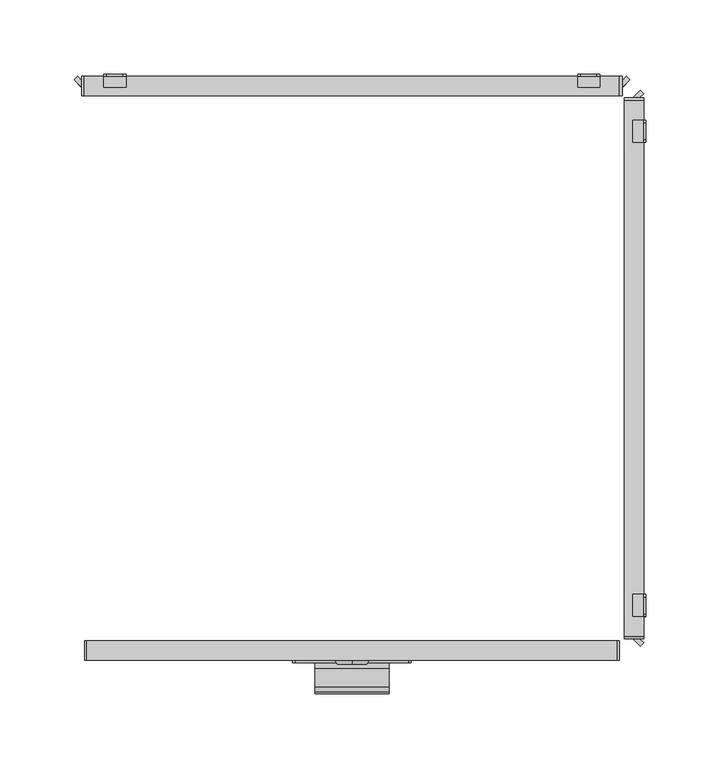
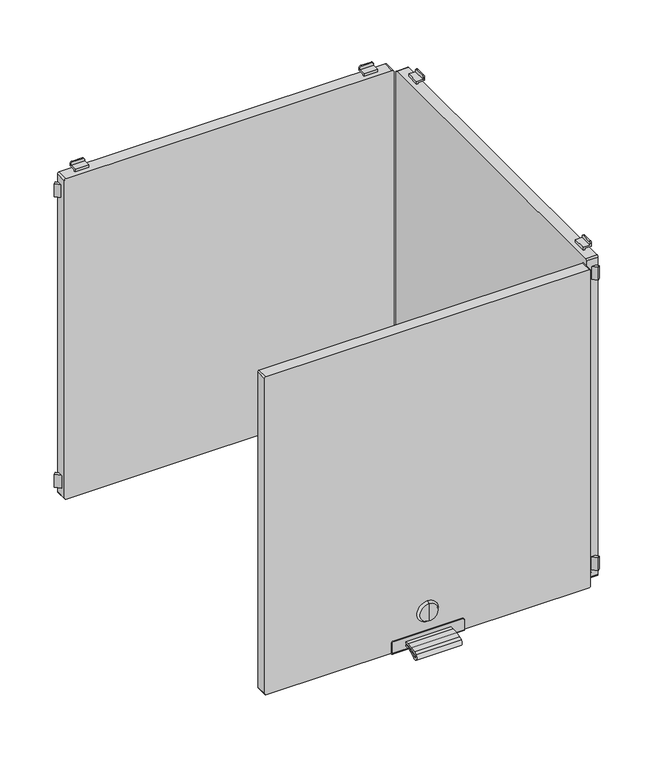
"""IFC4 building model written with IfcOpenShell, lengths in millimetres: furniture geometry."""

from ifc_helpers import new_model, si_unit, point, frame, frame_2d, origin, place, context, project, spatial, polyline, circle_curve, trimmed, segment, composite_curve, outline, extrude, source, transform, mapped, element, save
from ifc_brep_helpers import plane_surface, cylinder_surface, revolved_surface, advanced_brep


def furniture_197ddd4c(model_context):
    return source(origin(), model_context, "Body", "SolidModel", [
        extrude(outline(composite_curve([segment(polyline([(-202.226909, 130.4286545), (-198.5, 130.4286545), (-198.5, 128.5286545), (-202.226909, 128.5286545)]), True, "CONTINUOUS"), segment(trimmed(circle_curve(frame_2d((-202.226909, 86.4886922)), 42.0399623), [point((-202.226909, 128.5286545))], [point((-214.4555436, 126.710812))], True, "CARTESIAN"), True, "CONTINUOUS"), segment(trimmed(circle_curve(frame_2d((-212.0259096, 118.7193203)), 8.352668), [point((-214.4555436, 126.710812))], [point((-216.9670362, 125.4537341))], True, "CARTESIAN"), True, "CONTINUOUS"), segment(trimmed(circle_curve(frame_2d((-215.7726745, 123.8259018)), 2.0189943), [point((-216.9670362, 125.4537341))], [point((-214.4167634, 122.3299595))], True, "CARTESIAN"), True, "CONTINUOUS"), segment(trimmed(circle_curve(frame_2d((-202.2269079, 108.8812021)), 18.1510786), [point((-214.4167634, 122.3299595))], [point((-202.2269079, 127.0322806))], False, "CARTESIAN"), True, "CONTINUOUS"), segment(polyline([(-202.2269079, 127.0322806), (-198.5, 127.0322806), (-198.5, 125.1322806), (-202.2269079, 125.1322806)]), True, "CONTINUOUS"), segment(trimmed(circle_curve(frame_2d((-202.2269079, 108.8812021)), 16.2510786), [point((-202.2269079, 125.1322806))], [point((-213.1407662, 120.9221843))], True, "CARTESIAN"), True, "CONTINUOUS"), segment(trimmed(circle_curve(frame_2d((-215.7726745, 123.8259018)), 3.9189943), [point((-213.1407662, 120.9221843))], [point((-218.0910053, 126.9856263))], False, "CARTESIAN"), True, "CONTINUOUS"), segment(trimmed(circle_curve(frame_2d((-212.0259096, 118.7193203)), 10.252668), [point((-218.0910053, 126.9856263))], [point((-215.0082179, 128.5286545))], False, "CARTESIAN"), True, "CONTINUOUS"), segment(trimmed(circle_curve(frame_2d((-202.226909, 86.4886922)), 43.9399623), [point((-215.0082179, 128.5286545))], [point((-202.226909, 130.4286545))], False, "CARTESIAN"), True, "CONTINUOUS")], self_intersect=False)), frame((-25.0, 0.0, 0.0), z_axis=(1.0, 0.0, 0.0), x_axis=(0.0, 1.0, 0.0)), (0.0, 0.0, 1.0), 50.0),
        advanced_brep(
        [(0.0, -199.7, 156.6837841), (0.0, -199.7, 166.6265951), (0.0, -199.7, 146.740973), (0.0, -197.0, 144.8059292), (0.0, -197.0, 168.5616389), (0.0, -197.0, 156.6837841)],
        [
            (0, 1),
            (1, 2, circle_curve(frame((0.0, -199.7, 156.6837841), z_axis=(0.0, -1.0, 0.0), x_axis=(0.0, 0.0, 1.0)), 9.9428111)),
            (2, 0),
            (2, 1, circle_curve(frame((0.0, -199.7, 156.6837841), z_axis=(0.0, -1.0, 0.0), x_axis=(0.0, 0.0, 1.0)), 9.9428111)),
            (3, 4, circle_curve(frame((0.0, -197.0, 156.6837841), z_axis=(0.0, 1.0, 0.0), x_axis=(0.0, 0.0, 1.0)), 11.8778548)),
            (4, 5),
            (5, 3),
            (4, 3, circle_curve(frame((0.0, -197.0, 156.6837841), z_axis=(0.0, 1.0, 0.0), x_axis=(0.0, 0.0, 1.0)), 11.8778548)),
            (1, 4),
            (3, 2),
        ],
        [
            plane_surface(frame((0.0, -199.7, 156.6837841), z_axis=(0.0, -1.0, 0.0), x_axis=(0.0, 0.0, 1.0))),
            plane_surface(frame((0.0, -197.0, 156.6837841), z_axis=(0.0, 1.0, 0.0), x_axis=(0.0, 0.0, 1.0))),
            revolved_surface(polyline([(0.0, -197.0, 168.5616389), (0.0, -199.7, 166.6265951)]), (0.0, -202.2563621, 156.6837841), (0.0, -1.0, 0.0)),
        ],
        [
            (0, [[1, 2, 3]]),
            (0, [[-3, 4, -1]]),
            (1, [[5, 6, 7]]),
            (1, [[8, -7, -6]]),
            (2, [[-2, 9, -5, 10]]),
            (2, [[-4, -10, -8, -9]]),
        ],
    ),
        advanced_brep(
        [(38.2, -198.5, 135.0), (-38.2, -198.5, 135.0), (-40.0, -198.5, 133.2), (-40.0, -198.5, 122.0), (40.0, -198.5, 122.0), (40.0, -198.5, 133.2), (38.2, -197.0, 135.0), (40.0, -197.0, 133.2), (40.0, -197.0, 121.5), (-40.0, -197.0, 121.5), (-40.0, -197.0, 133.2), (-38.2, -197.0, 135.0), (-40.0, -184.0, 121.5), (-40.0, -184.0, 120.0), (-40.0, -196.5, 120.0), (40.0, -196.5, 120.0), (40.0, -184.0, 120.0), (40.0, -184.0, 121.5)],
        [
            (0, 1),
            (1, 2, circle_curve(frame((-38.2, -198.5, 133.2), z_axis=(0.0, -1.0, 0.0), x_axis=(1.0, 0.0, 0.0)), 1.8)),
            (2, 3),
            (3, 4),
            (4, 5),
            (5, 0, circle_curve(frame((38.2, -198.5, 133.2), z_axis=(0.0, -1.0, 0.0), x_axis=(1.0, 0.0, 0.0)), 1.8)),
            (6, 7, circle_curve(frame((38.2, -197.0, 133.2), z_axis=(0.0, 1.0, 0.0), x_axis=(1.0, 0.0, 0.0)), 1.8)),
            (7, 8),
            (8, 9),
            (9, 10),
            (10, 11, circle_curve(frame((-38.2, -197.0, 133.2), z_axis=(0.0, 1.0, 0.0), x_axis=(1.0, 0.0, 0.0)), 1.8)),
            (11, 6),
            (0, 6),
            (11, 1),
            (10, 2),
            (9, 12),
            (12, 13),
            (13, 14),
            (14, 3, circle_curve(frame((-40.0, -196.5, 122.0), z_axis=(-1.0, 0.0, 0.0), x_axis=(0.0, 1.0, 0.0)), 2.0)),
            (4, 15, circle_curve(frame((40.0, -196.5, 122.0), z_axis=(1.0, 0.0, 0.0), x_axis=(0.0, 1.0, 0.0)), 2.0)),
            (15, 16),
            (16, 17),
            (17, 8),
            (7, 5),
            (15, 14),
            (13, 16),
            (12, 17),
        ],
        [
            plane_surface(frame((-40.0, -198.5, 135.0), z_axis=(0.0, -1.0, 0.0), x_axis=(-1.0, 0.0, 0.0))),
            plane_surface(frame((-40.0, -197.0, 135.0), z_axis=(0.0, 1.0, 0.0), x_axis=(1.0, 0.0, 0.0))),
            plane_surface(frame((38.2, -198.5, 135.0), z_axis=(0.0, 0.0, 1.0), x_axis=(0.0, 1.0, 0.0))),
            cylinder_surface(frame((-38.2, -197.0, 133.2), z_axis=(0.0, -1.0, 0.0), x_axis=(1.0, 0.0, 0.0)), 1.8),
            plane_surface(frame((-40.0, -198.5, 133.2), z_axis=(-1.0, 0.0, 0.0), x_axis=(0.0, 1.0, 0.0))),
            plane_surface(frame((40.0, -198.5, 124.5), z_axis=(1.0, 0.0, 0.0), x_axis=(0.0, 1.0, 0.0))),
            cylinder_surface(frame((38.2, -197.0, 133.2), z_axis=(0.0, -1.0, 0.0), x_axis=(1.0, 0.0, 0.0)), 1.8),
            plane_surface(frame((40.0, -196.5, 120.0), z_axis=(0.0, 0.0, -1.0), x_axis=(-1.0, 0.0, 0.0))),
            plane_surface(frame((40.0, -184.0, 120.0), z_axis=(0.0, 1.0, 0.0), x_axis=(-1.0, 0.0, 0.0))),
            plane_surface(frame((40.0, -184.0, 121.5), z_axis=(0.0, 0.0, 1.0), x_axis=(-1.0, 0.0, 0.0))),
            cylinder_surface(frame((-40.0, -196.5, 122.0), z_axis=(1.0, 0.0, 0.0), x_axis=(0.0, 1.0, 0.0)), 2.0),
        ],
        [
            (0, [[1, 2, 3, 4, 5, 6]]),
            (1, [[7, 8, 9, 10, 11, 12]]),
            (2, [[-1, 13, -12, 14]]),
            (3, [[-2, -14, -11, 15]]),
            (4, [[-3, -15, -10, 16, 17, 18, 19]]),
            (5, [[-5, 20, 21, 22, 23, -8, 24]]),
            (6, [[-6, -24, -7, -13]]),
            (7, [[-21, 25, -18, 26]]),
            (8, [[-22, -26, -17, 27]]),
            (9, [[-23, -27, -16, -9]]),
            (10, [[-20, -4, -19, -25]]),
        ],
    ),
        extrude(outline(composite_curve([segment(polyline([(493.5, 179.0), (493.5, -179.0)]), True, "CONTINUOUS"), segment(trimmed(circle_curve(frame_2d((492.0, -179.0)), 1.5), [point((493.5, -179.0))], [point((492.0, -180.5))], False, "CARTESIAN"), True, "CONTINUOUS"), segment(polyline([(492.0, -180.5), (123.0, -180.5)]), True, "CONTINUOUS"), segment(trimmed(circle_curve(frame_2d((123.0, -179.0)), 1.5), [point((123.0, -180.5))], [point((121.5, -179.0))], False, "CARTESIAN"), True, "CONTINUOUS"), segment(polyline([(121.5, -179.0), (121.5, 179.0)]), True, "CONTINUOUS"), segment(trimmed(circle_curve(frame_2d((123.0, 179.0)), 1.5), [point((121.5, 179.0))], [point((123.0, 180.5))], False, "CARTESIAN"), True, "CONTINUOUS"), segment(polyline([(123.0, 180.5), (492.0, 180.5)]), True, "CONTINUOUS"), segment(trimmed(circle_curve(frame_2d((492.0, 179.0)), 1.5), [point((492.0, 180.5))], [point((493.5, 179.0))], False, "CARTESIAN"), True, "CONTINUOUS")], self_intersect=False)), frame((0.0, -197.0, 0.0), z_axis=(0.0, 1.0, 0.0), x_axis=(0.0, 0.0, 1.0)), (0.0, 0.0, 1.0), 13.0),
        advanced_brep(
        [(152.5, 197.0, 115.5), (154.5, 197.0, 113.5), (165.5, 197.0, 113.5), (167.5, 197.0, 115.5), (167.5, 197.0, 117.0), (152.5, 197.0, 117.0), (152.5, 198.5, 118.5), (167.5, 198.5, 118.5), (167.5, 198.5, 115.5), (165.5, 198.5, 113.5), (154.5, 198.5, 113.5), (152.5, 198.5, 115.5), (152.5, 189.5011497, 117.0), (152.5, 189.5011497, 120.0), (152.5, 191.0011497, 120.0), (152.5, 191.0011497, 118.5), (167.5, 191.0011497, 118.5), (167.5, 191.0011497, 120.0), (167.5, 189.5011497, 120.0), (167.5, 189.5011497, 117.0)],
        [
            (0, 1, circle_curve(frame((154.5, 197.0, 115.5), z_axis=(0.0, -1.0, 0.0), x_axis=(1.0, 0.0, 0.0)), 2.0)),
            (1, 2),
            (2, 3, circle_curve(frame((165.5, 197.0, 115.5), z_axis=(0.0, -1.0, 0.0), x_axis=(1.0, 0.0, 0.0)), 2.0)),
            (3, 4),
            (4, 5),
            (5, 0),
            (6, 7),
            (7, 8),
            (8, 9, circle_curve(frame((165.5, 198.5, 115.5), z_axis=(0.0, 1.0, 0.0), x_axis=(1.0, 0.0, 0.0)), 2.0)),
            (9, 10),
            (10, 11, circle_curve(frame((154.5, 198.5, 115.5), z_axis=(0.0, 1.0, 0.0), x_axis=(1.0, 0.0, 0.0)), 2.0)),
            (11, 6),
            (11, 0),
            (5, 12),
            (12, 13),
            (13, 14),
            (14, 15),
            (15, 6),
            (10, 1),
            (9, 2),
            (8, 3),
            (7, 16),
            (16, 17),
            (17, 18),
            (18, 19),
            (19, 4),
            (15, 16),
            (12, 19),
            (18, 13),
            (17, 14),
        ],
        [
            plane_surface(frame((152.5, 197.0, 117.0), z_axis=(0.0, -1.0, 0.0), x_axis=(0.0, 0.0, -1.0))),
            plane_surface(frame((152.5, 198.5, 117.0), z_axis=(0.0, 1.0, 0.0), x_axis=(0.0, 0.0, 1.0))),
            plane_surface(frame((152.5, 197.0, 118.5), z_axis=(-1.0, 0.0, 0.0), x_axis=(0.0, 1.0, 0.0))),
            cylinder_surface(frame((154.5, 198.5, 115.5), z_axis=(0.0, -1.0, 0.0), x_axis=(1.0, 0.0, 0.0)), 2.0),
            plane_surface(frame((154.5, 197.0, 113.5), z_axis=(0.0, 0.0, -1.0), x_axis=(0.0, 1.0, 0.0))),
            cylinder_surface(frame((165.5, 198.5, 115.5), z_axis=(0.0, -1.0, 0.0), x_axis=(1.0, 0.0, 0.0)), 2.0),
            plane_surface(frame((167.5, 197.0, 115.5), z_axis=(1.0, 0.0, 0.0), x_axis=(0.0, 1.0, 0.0))),
            plane_surface(frame((167.5, 197.0, 118.5), z_axis=(0.0, 0.0, 1.0), x_axis=(0.0, 1.0, 0.0))),
            plane_surface(frame((152.5, 189.5011497, 117.0), z_axis=(0.0, -1.0, 0.0), x_axis=(1.0, 0.0, 0.0))),
            plane_surface(frame((152.5, 189.5011497, 120.0), z_axis=(0.0, 0.0, 1.0), x_axis=(1.0, 0.0, 0.0))),
            plane_surface(frame((152.5, 191.0011497, 120.0), z_axis=(0.0, 1.0, 0.0), x_axis=(1.0, 0.0, 0.0))),
            plane_surface(frame((152.5, 197.0, 117.0), z_axis=(0.0, 0.0, -1.0), x_axis=(1.0, 0.0, 0.0))),
        ],
        [
            (0, [[1, 2, 3, 4, 5, 6]]),
            (1, [[7, 8, 9, 10, 11, 12]]),
            (2, [[-12, 13, -6, 14, 15, 16, 17, 18]]),
            (3, [[-1, -13, -11, 19]]),
            (4, [[-2, -19, -10, 20]]),
            (5, [[-3, -20, -9, 21]]),
            (6, [[-8, 22, 23, 24, 25, 26, -4, -21]]),
            (7, [[-22, -7, -18, 27]]),
            (8, [[-15, 28, -25, 29]]),
            (9, [[-16, -29, -24, 30]]),
            (10, [[-17, -30, -23, -27]]),
            (11, [[-14, -5, -26, -28]]),
        ],
    ),
        advanced_brep(
        [(-167.5, 197.0, 115.5), (-165.5, 197.0, 113.5), (-154.5, 197.0, 113.5), (-152.5, 197.0, 115.5), (-152.5, 197.0, 117.0), (-167.5, 197.0, 117.0), (-152.5, 198.5, 118.5), (-152.5, 198.5, 115.5), (-154.5, 198.5, 113.5), (-165.5, 198.5, 113.5), (-167.5, 198.5, 115.5), (-167.5, 198.5, 118.5), (-167.5, 191.0011497, 118.5), (-152.5, 191.0011497, 118.5), (-167.5, 189.5011497, 117.0), (-167.5, 189.5011497, 120.0), (-167.5, 191.0011497, 120.0), (-152.5, 191.0011497, 120.0), (-152.5, 189.5011497, 120.0), (-152.5, 189.5011497, 117.0)],
        [
            (0, 1, circle_curve(frame((-165.5, 197.0, 115.5), z_axis=(0.0, -1.0, 0.0), x_axis=(1.0, 0.0, 0.0)), 2.0)),
            (1, 2),
            (2, 3, circle_curve(frame((-154.5, 197.0, 115.5), z_axis=(0.0, -1.0, 0.0), x_axis=(1.0, 0.0, 0.0)), 2.0)),
            (3, 4),
            (4, 5),
            (5, 0),
            (6, 7),
            (7, 8, circle_curve(frame((-154.5, 198.5, 115.5), z_axis=(0.0, 1.0, 0.0), x_axis=(1.0, 0.0, 0.0)), 2.0)),
            (8, 9),
            (9, 10, circle_curve(frame((-165.5, 198.5, 115.5), z_axis=(0.0, 1.0, 0.0), x_axis=(1.0, 0.0, 0.0)), 2.0)),
            (10, 11),
            (11, 6),
            (11, 12),
            (12, 13),
            (13, 6),
            (10, 0),
            (5, 14),
            (14, 15),
            (15, 16),
            (16, 12),
            (9, 1),
            (8, 2),
            (7, 3),
            (13, 17),
            (17, 18),
            (18, 19),
            (19, 4),
            (18, 15),
            (14, 19),
            (17, 16),
        ],
        [
            plane_surface(frame((152.5, 197.0, 117.0), z_axis=(0.0, -1.0, 0.0), x_axis=(0.0, 0.0, -1.0))),
            plane_surface(frame((152.5, 198.5, 117.0), z_axis=(0.0, 1.0, 0.0), x_axis=(0.0, 0.0, 1.0))),
            plane_surface(frame((-152.5, 197.0, 118.5), z_axis=(0.0, 0.0, 1.0), x_axis=(0.0, 1.0, 0.0))),
            plane_surface(frame((-167.5, 197.0, 118.5), z_axis=(-1.0, 0.0, 0.0), x_axis=(0.0, 1.0, 0.0))),
            cylinder_surface(frame((-165.5, 200.0, 115.5), z_axis=(0.0, -1.0, 0.0), x_axis=(1.0, 0.0, 0.0)), 2.0),
            plane_surface(frame((-165.5, 197.0, 113.5), z_axis=(0.0, 0.0, -1.0), x_axis=(0.0, 1.0, 0.0))),
            cylinder_surface(frame((-154.5, 200.0, 115.5), z_axis=(0.0, -1.0, 0.0), x_axis=(1.0, 0.0, 0.0)), 2.0),
            plane_surface(frame((-152.5, 197.0, 115.5), z_axis=(1.0, 0.0, 0.0), x_axis=(0.0, 1.0, 0.0))),
            plane_surface(frame((-152.5, 189.5011497, 120.0), z_axis=(0.0, -1.0, 0.0), x_axis=(-1.0, 0.0, 0.0))),
            plane_surface(frame((-152.5, 191.0011497, 120.0), z_axis=(0.0, 0.0, 1.0), x_axis=(-1.0, 0.0, 0.0))),
            plane_surface(frame((-152.5, 191.0011497, 118.5), z_axis=(0.0, 1.0, 0.0), x_axis=(-1.0, 0.0, 0.0))),
            plane_surface(frame((-152.5, 189.5011497, 117.0), z_axis=(0.0, 0.0, -1.0), x_axis=(-1.0, 0.0, 0.0))),
        ],
        [
            (0, [[1, 2, 3, 4, 5, 6]]),
            (1, [[7, 8, 9, 10, 11, 12]]),
            (2, [[-12, 13, 14, 15]]),
            (3, [[-11, 16, -6, 17, 18, 19, 20, -13]]),
            (4, [[-1, -16, -10, 21]]),
            (5, [[-2, -21, -9, 22]]),
            (6, [[-3, -22, -8, 23]]),
            (7, [[-7, -15, 24, 25, 26, 27, -4, -23]]),
            (8, [[-26, 28, -18, 29]]),
            (9, [[-25, 30, -19, -28]]),
            (10, [[-24, -14, -20, -30]]),
            (11, [[-27, -29, -17, -5]]),
        ],
    ),
        advanced_brep(
        [(167.5, 197.0, 499.5), (165.5, 197.0, 501.5), (154.5, 197.0, 501.5), (152.5, 197.0, 499.5), (152.5, 197.0, 498.0), (167.5, 197.0, 498.0), (152.5, 198.5, 496.5), (152.5, 198.5, 499.5), (154.5, 198.5, 501.5), (165.5, 198.5, 501.5), (167.5, 198.5, 499.5), (167.5, 198.5, 496.5), (152.5, 189.5011497, 498.0), (152.5, 191.0011497, 496.5), (152.5, 191.0011497, 495.0), (152.5, 189.5011497, 495.0), (167.5, 189.5011497, 498.0), (167.5, 189.5011497, 495.0), (167.5, 191.0011497, 495.0), (167.5, 191.0011497, 496.5)],
        [
            (0, 1, circle_curve(frame((165.5, 197.0, 499.5), z_axis=(0.0, -1.0, 0.0), x_axis=(1.0, 0.0, 0.0)), 2.0)),
            (1, 2),
            (2, 3, circle_curve(frame((154.5, 197.0, 499.5), z_axis=(0.0, -1.0, 0.0), x_axis=(1.0, 0.0, 0.0)), 2.0)),
            (3, 4),
            (4, 5),
            (5, 0),
            (6, 7),
            (7, 8, circle_curve(frame((154.5, 198.5, 499.5), z_axis=(0.0, 1.0, 0.0), x_axis=(1.0, 0.0, 0.0)), 2.0)),
            (8, 9),
            (9, 10, circle_curve(frame((165.5, 198.5, 499.5), z_axis=(0.0, 1.0, 0.0), x_axis=(1.0, 0.0, 0.0)), 2.0)),
            (10, 11),
            (11, 6),
            (12, 4),
            (3, 7),
            (6, 13),
            (13, 14),
            (14, 15),
            (15, 12),
            (16, 17),
            (17, 18),
            (18, 19),
            (19, 11),
            (10, 0),
            (5, 16),
            (19, 13),
            (9, 1),
            (8, 2),
            (12, 16),
            (18, 14),
            (17, 15),
        ],
        [
            plane_surface(frame((152.5, 197.0, 117.0), z_axis=(0.0, -1.0, 0.0), x_axis=(0.0, 0.0, -1.0))),
            plane_surface(frame((152.5, 198.5, 117.0), z_axis=(0.0, 1.0, 0.0), x_axis=(0.0, 0.0, 1.0))),
            plane_surface(frame((152.5, 197.0, 118.5), z_axis=(-1.0, 0.0, 0.0), x_axis=(0.0, 1.0, 0.0))),
            plane_surface(frame((167.5, 197.0, 115.5), z_axis=(1.0, 0.0, 0.0), x_axis=(0.0, 1.0, 0.0))),
            plane_surface(frame((152.5, 197.0, 496.5), z_axis=(0.0, 0.0, -1.0), x_axis=(0.0, 1.0, 0.0))),
            cylinder_surface(frame((165.5, 200.0, 499.5), z_axis=(0.0, -1.0, 0.0), x_axis=(1.0, 0.0, 0.0)), 2.0),
            plane_surface(frame((165.5, 197.0, 501.5), z_axis=(0.0, 0.0, 1.0), x_axis=(0.0, 1.0, 0.0))),
            cylinder_surface(frame((154.5, 200.0, 499.5), z_axis=(0.0, -1.0, 0.0), x_axis=(1.0, 0.0, 0.0)), 2.0),
            plane_surface(frame((152.5, 189.5011497, 498.0), z_axis=(0.0, 0.0, 1.0), x_axis=(1.0, 0.0, 0.0))),
            plane_surface(frame((152.5, 191.0011497, 496.5), z_axis=(0.0, 1.0, 0.0), x_axis=(1.0, 0.0, 0.0))),
            plane_surface(frame((152.5, 191.0011497, 495.0), z_axis=(0.0, 0.0, -1.0), x_axis=(1.0, 0.0, 0.0))),
            plane_surface(frame((152.5, 189.5011497, 495.0), z_axis=(0.0, -1.0, 0.0), x_axis=(1.0, 0.0, 0.0))),
        ],
        [
            (0, [[1, 2, 3, 4, 5, 6]]),
            (1, [[7, 8, 9, 10, 11, 12]]),
            (2, [[13, -4, 14, -7, 15, 16, 17, 18]]),
            (3, [[19, 20, 21, 22, -11, 23, -6, 24]]),
            (4, [[-15, -12, -22, 25]]),
            (5, [[-1, -23, -10, 26]]),
            (6, [[-2, -26, -9, 27]]),
            (7, [[-3, -27, -8, -14]]),
            (8, [[-13, 28, -24, -5]]),
            (9, [[-16, -25, -21, 29]]),
            (10, [[-17, -29, -20, 30]]),
            (11, [[-18, -30, -19, -28]]),
        ],
    ),
        advanced_brep(
        [(-152.5, 197.0, 499.5), (-154.5, 197.0, 501.5), (-165.5, 197.0, 501.5), (-167.5, 197.0, 499.5), (-167.5, 197.0, 498.0), (-152.5, 197.0, 498.0), (-152.5, 198.5, 496.5), (-167.5, 198.5, 496.5), (-167.5, 198.5, 499.5), (-165.5, 198.5, 501.5), (-154.5, 198.5, 501.5), (-152.5, 198.5, 499.5), (-167.5, 191.0011497, 496.5), (-167.5, 191.0011497, 495.0), (-167.5, 189.5011497, 495.0), (-167.5, 189.5011497, 498.0), (-152.5, 189.5011497, 498.0), (-152.5, 189.5011497, 495.0), (-152.5, 191.0011497, 495.0), (-152.5, 191.0011497, 496.5)],
        [
            (0, 1, circle_curve(frame((-154.5, 197.0, 499.5), z_axis=(0.0, -1.0, 0.0), x_axis=(1.0, 0.0, 0.0)), 2.0)),
            (1, 2),
            (2, 3, circle_curve(frame((-165.5, 197.0, 499.5), z_axis=(0.0, -1.0, 0.0), x_axis=(1.0, 0.0, 0.0)), 2.0)),
            (3, 4),
            (4, 5),
            (5, 0),
            (6, 7),
            (7, 8),
            (8, 9, circle_curve(frame((-165.5, 198.5, 499.5), z_axis=(0.0, 1.0, 0.0), x_axis=(1.0, 0.0, 0.0)), 2.0)),
            (9, 10),
            (10, 11, circle_curve(frame((-154.5, 198.5, 499.5), z_axis=(0.0, 1.0, 0.0), x_axis=(1.0, 0.0, 0.0)), 2.0)),
            (11, 6),
            (7, 12),
            (12, 13),
            (13, 14),
            (14, 15),
            (15, 4),
            (3, 8),
            (11, 0),
            (5, 16),
            (16, 17),
            (17, 18),
            (18, 19),
            (19, 6),
            (10, 1),
            (9, 2),
            (19, 12),
            (15, 16),
            (18, 13),
            (17, 14),
        ],
        [
            plane_surface(frame((152.5, 197.0, 117.0), z_axis=(0.0, -1.0, 0.0), x_axis=(0.0, 0.0, -1.0))),
            plane_surface(frame((152.5, 198.5, 117.0), z_axis=(0.0, 1.0, 0.0), x_axis=(0.0, 0.0, 1.0))),
            plane_surface(frame((-167.5, 197.0, 118.5), z_axis=(-1.0, 0.0, 0.0), x_axis=(0.0, 1.0, 0.0))),
            plane_surface(frame((-152.5, 197.0, 115.5), z_axis=(1.0, 0.0, 0.0), x_axis=(0.0, 1.0, 0.0))),
            cylinder_surface(frame((-154.5, 200.0, 499.5), z_axis=(0.0, -1.0, 0.0), x_axis=(1.0, 0.0, 0.0)), 2.0),
            plane_surface(frame((-154.5, 197.0, 501.5), z_axis=(0.0, 0.0, 1.0), x_axis=(0.0, 1.0, 0.0))),
            cylinder_surface(frame((-165.5, 200.0, 499.5), z_axis=(0.0, -1.0, 0.0), x_axis=(1.0, 0.0, 0.0)), 2.0),
            plane_surface(frame((-167.5, 197.0, 496.5), z_axis=(0.0, 0.0, -1.0), x_axis=(0.0, 1.0, 0.0))),
            plane_surface(frame((-152.5, 197.0, 498.0), z_axis=(0.0, 0.0, 1.0), x_axis=(-1.0, 0.0, 0.0))),
            plane_surface(frame((-152.5, 191.0011497, 495.0), z_axis=(0.0, 1.0, 0.0), x_axis=(-1.0, 0.0, 0.0))),
            plane_surface(frame((-152.5, 189.5011497, 495.0), z_axis=(0.0, 0.0, -1.0), x_axis=(-1.0, 0.0, 0.0))),
            plane_surface(frame((-152.5, 189.5011497, 498.0), z_axis=(0.0, -1.0, 0.0), x_axis=(-1.0, 0.0, 0.0))),
        ],
        [
            (0, [[1, 2, 3, 4, 5, 6]]),
            (1, [[7, 8, 9, 10, 11, 12]]),
            (2, [[-8, 13, 14, 15, 16, 17, -4, 18]]),
            (3, [[-12, 19, -6, 20, 21, 22, 23, 24]]),
            (4, [[-1, -19, -11, 25]]),
            (5, [[-2, -25, -10, 26]]),
            (6, [[-3, -26, -9, -18]]),
            (7, [[-7, -24, 27, -13]]),
            (8, [[-20, -5, -17, 28]]),
            (9, [[-23, 29, -14, -27]]),
            (10, [[-22, 30, -15, -29]]),
            (11, [[-21, -28, -16, -30]]),
        ],
    ),
        extrude(outline(polyline([(-185.3223305, 197.0), (-182.5, 194.1776695), (-182.5, 189.5011497), (-187.6605904, 194.6617401), (-185.3223305, 197.0)])), frame((0.0, 0.0, 130.0), z_axis=(0.0, 0.0, 1.0), x_axis=(1.0, 0.0, 0.0)), (0.0, 0.0, 1.0), 15.0),
        extrude(outline(polyline([(185.3223305, 197.0), (187.6605904, 194.6617401), (182.5, 189.5011497), (182.5, 194.1776695), (185.3223305, 197.0)])), frame((0.0, 0.0, 130.0), z_axis=(0.0, 0.0, 1.0), x_axis=(1.0, 0.0, 0.0)), (0.0, 0.0, 1.0), 15.0),
        extrude(outline(composite_curve([segment(trimmed(circle_curve(frame_2d((493.2, 180.7)), 1.8), [point((493.2, 182.5))], [point((495.0, 180.7))], False, "CARTESIAN"), True, "CONTINUOUS"), segment(polyline([(495.0, 180.7), (495.0, -180.7)]), True, "CONTINUOUS"), segment(trimmed(circle_curve(frame_2d((493.2, -180.7)), 1.8), [point((495.0, -180.7))], [point((493.2, -182.5))], False, "CARTESIAN"), True, "CONTINUOUS"), segment(polyline([(493.2, -182.5), (121.8, -182.5)]), True, "CONTINUOUS"), segment(trimmed(circle_curve(frame_2d((121.8, -180.7)), 1.8), [point((121.8, -182.5))], [point((120.0, -180.7))], False, "CARTESIAN"), True, "CONTINUOUS"), segment(polyline([(120.0, -180.7), (120.0, 180.7)]), True, "CONTINUOUS"), segment(trimmed(circle_curve(frame_2d((121.8, 180.7)), 1.8), [point((120.0, 180.7))], [point((121.8, 182.5))], False, "CARTESIAN"), True, "CONTINUOUS"), segment(polyline([(121.8, 182.5), (493.2, 182.5)]), True, "CONTINUOUS")], self_intersect=False)), frame((0.0, 183.999795, 0.0), z_axis=(0.0, 1.0, 0.0), x_axis=(0.0, 0.0, 1.0)), (0.0, 0.0, 1.0), 13.000205),
        extrude(outline(polyline([(-185.3223305, 197.0), (-182.5, 194.1776695), (-182.5, 189.5011497), (-187.6605904, 194.6617401), (-185.3223305, 197.0)])), frame((0.0, 0.0, 470.0), z_axis=(0.0, 0.0, 1.0), x_axis=(1.0, 0.0, 0.0)), (0.0, 0.0, 1.0), 15.0),
        extrude(outline(polyline([(185.3223305, 197.0), (187.6605904, 194.6617401), (182.5, 189.5011497), (182.5, 194.1776695), (185.3223305, 197.0)])), frame((0.0, 0.0, 470.0), z_axis=(0.0, 0.0, 1.0), x_axis=(1.0, 0.0, 0.0)), (0.0, 0.0, 1.0), 15.0),
        advanced_brep(
        [(197.0, 152.5, 115.5), (197.0, 152.5, 117.0), (197.0, 167.5, 117.0), (197.0, 167.5, 115.5), (197.0, 165.5, 113.5), (197.0, 154.5, 113.5), (198.5, 152.5, 118.5), (198.5, 152.5, 115.5), (198.5, 154.5, 113.5), (198.5, 165.5, 113.5), (198.5, 167.5, 115.5), (198.5, 167.5, 118.5), (191.0011497, 152.5, 118.5), (191.0011497, 152.5, 120.0), (189.5011497, 152.5, 120.0), (189.5011497, 152.5, 117.0), (189.5011497, 167.5, 117.0), (189.5011497, 167.5, 120.0), (191.0011497, 167.5, 120.0), (191.0011497, 167.5, 118.5)],
        [
            (0, 1),
            (1, 2),
            (2, 3),
            (3, 4, circle_curve(frame((197.0, 165.5, 115.5), z_axis=(-1.0, 0.0, 0.0), x_axis=(0.0, 1.0, 0.0)), 2.0)),
            (4, 5),
            (5, 0, circle_curve(frame((197.0, 154.5, 115.5), z_axis=(-1.0, 0.0, 0.0), x_axis=(0.0, 1.0, 0.0)), 2.0)),
            (6, 7),
            (7, 8, circle_curve(frame((198.5, 154.5, 115.5), z_axis=(1.0, 0.0, 0.0), x_axis=(0.0, 1.0, 0.0)), 2.0)),
            (8, 9),
            (9, 10, circle_curve(frame((198.5, 165.5, 115.5), z_axis=(1.0, 0.0, 0.0), x_axis=(0.0, 1.0, 0.0)), 2.0)),
            (10, 11),
            (11, 6),
            (6, 12),
            (12, 13),
            (13, 14),
            (14, 15),
            (15, 1),
            (0, 7),
            (5, 8),
            (4, 9),
            (3, 10),
            (2, 16),
            (16, 17),
            (17, 18),
            (18, 19),
            (19, 11),
            (19, 12),
            (14, 17),
            (16, 15),
            (13, 18),
        ],
        [
            plane_surface(frame((197.0, 152.5, 117.0), z_axis=(-1.0, 0.0, 0.0), x_axis=(0.0, 0.0, -1.0))),
            plane_surface(frame((198.5, 152.5, 117.0), z_axis=(1.0, 0.0, 0.0), x_axis=(0.0, 0.0, 1.0))),
            plane_surface(frame((197.0, 152.5, 118.5), z_axis=(0.0, -1.0, 0.0), x_axis=(1.0, 0.0, 0.0))),
            cylinder_surface(frame((198.5, 154.5, 115.5), z_axis=(-1.0, 0.0, 0.0), x_axis=(0.0, 1.0, 0.0)), 2.0),
            plane_surface(frame((197.0, 154.5, 113.5), z_axis=(0.0, 0.0, -1.0), x_axis=(1.0, 0.0, 0.0))),
            cylinder_surface(frame((198.5, 165.5, 115.5), z_axis=(-1.0, 0.0, 0.0), x_axis=(0.0, 1.0, 0.0)), 2.0),
            plane_surface(frame((197.0, 167.5, 115.5), z_axis=(0.0, 1.0, 0.0), x_axis=(1.0, 0.0, 0.0))),
            plane_surface(frame((197.0, 167.5, 118.5), z_axis=(0.0, 0.0, 1.0), x_axis=(1.0, 0.0, 0.0))),
            plane_surface(frame((189.5011497, 152.5, 117.0), z_axis=(-1.0, 0.0, 0.0), x_axis=(0.0, 1.0, 0.0))),
            plane_surface(frame((189.5011497, 152.5, 120.0), z_axis=(0.0, 0.0, 1.0), x_axis=(0.0, 1.0, 0.0))),
            plane_surface(frame((191.0011497, 152.5, 120.0), z_axis=(1.0, 0.0, 0.0), x_axis=(0.0, 1.0, 0.0))),
            plane_surface(frame((197.0, 152.5, 117.0), z_axis=(0.0, 0.0, -1.0), x_axis=(0.0, 1.0, 0.0))),
        ],
        [
            (0, [[1, 2, 3, 4, 5, 6]]),
            (1, [[7, 8, 9, 10, 11, 12]]),
            (2, [[13, 14, 15, 16, 17, -1, 18, -7]]),
            (3, [[19, -8, -18, -6]]),
            (4, [[20, -9, -19, -5]]),
            (5, [[21, -10, -20, -4]]),
            (6, [[-21, -3, 22, 23, 24, 25, 26, -11]]),
            (7, [[27, -13, -12, -26]]),
            (8, [[28, -23, 29, -16]]),
            (9, [[30, -24, -28, -15]]),
            (10, [[-27, -25, -30, -14]]),
            (11, [[-29, -22, -2, -17]]),
        ],
    ),
        advanced_brep(
        [(197.0, -167.5, 115.5), (197.0, -167.5, 117.0), (197.0, -152.5, 117.0), (197.0, -152.5, 115.5), (197.0, -154.5, 113.5), (197.0, -165.5, 113.5), (198.5, -152.5, 118.5), (198.5, -167.5, 118.5), (198.5, -167.5, 115.5), (198.5, -165.5, 113.5), (198.5, -154.5, 113.5), (198.5, -152.5, 115.5), (191.0011497, -152.5, 118.5), (191.0011497, -167.5, 118.5), (191.0011497, -167.5, 120.0), (189.5011497, -167.5, 120.0), (189.5011497, -167.5, 117.0), (189.5011497, -152.5, 117.0), (189.5011497, -152.5, 120.0), (191.0011497, -152.5, 120.0)],
        [
            (0, 1),
            (1, 2),
            (2, 3),
            (3, 4, circle_curve(frame((197.0, -154.5, 115.5), z_axis=(-1.0, 0.0, 0.0), x_axis=(0.0, 1.0, 0.0)), 2.0)),
            (4, 5),
            (5, 0, circle_curve(frame((197.0, -165.5, 115.5), z_axis=(-1.0, 0.0, 0.0), x_axis=(0.0, 1.0, 0.0)), 2.0)),
            (6, 7),
            (7, 8),
            (8, 9, circle_curve(frame((198.5, -165.5, 115.5), z_axis=(1.0, 0.0, 0.0), x_axis=(0.0, 1.0, 0.0)), 2.0)),
            (9, 10),
            (10, 11, circle_curve(frame((198.5, -154.5, 115.5), z_axis=(1.0, 0.0, 0.0), x_axis=(0.0, 1.0, 0.0)), 2.0)),
            (11, 6),
            (6, 12),
            (12, 13),
            (13, 7),
            (13, 14),
            (14, 15),
            (15, 16),
            (16, 1),
            (0, 8),
            (5, 9),
            (4, 10),
            (3, 11),
            (2, 17),
            (17, 18),
            (18, 19),
            (19, 12),
            (17, 16),
            (15, 18),
            (14, 19),
        ],
        [
            plane_surface(frame((197.0, 152.5, 117.0), z_axis=(-1.0, 0.0, 0.0), x_axis=(0.0, 0.0, -1.0))),
            plane_surface(frame((198.5, 152.5, 117.0), z_axis=(1.0, 0.0, 0.0), x_axis=(0.0, 0.0, 1.0))),
            plane_surface(frame((197.0, -152.5, 118.5), z_axis=(0.0, 0.0, 1.0), x_axis=(1.0, 0.0, 0.0))),
            plane_surface(frame((197.0, -167.5, 118.5), z_axis=(0.0, -1.0, 0.0), x_axis=(1.0, 0.0, 0.0))),
            cylinder_surface(frame((200.0, -165.5, 115.5), z_axis=(-1.0, 0.0, 0.0), x_axis=(0.0, 1.0, 0.0)), 2.0),
            plane_surface(frame((197.0, -165.5, 113.5), z_axis=(0.0, 0.0, -1.0), x_axis=(1.0, 0.0, 0.0))),
            cylinder_surface(frame((200.0, -154.5, 115.5), z_axis=(-1.0, 0.0, 0.0), x_axis=(0.0, 1.0, 0.0)), 2.0),
            plane_surface(frame((197.0, -152.5, 115.5), z_axis=(0.0, 1.0, 0.0), x_axis=(1.0, 0.0, 0.0))),
            plane_surface(frame((189.5011497, -152.5, 120.0), z_axis=(-1.0, 0.0, 0.0), x_axis=(0.0, -1.0, 0.0))),
            plane_surface(frame((191.0011497, -152.5, 120.0), z_axis=(0.0, 0.0, 1.0), x_axis=(0.0, -1.0, 0.0))),
            plane_surface(frame((191.0011497, -152.5, 118.5), z_axis=(1.0, 0.0, 0.0), x_axis=(0.0, -1.0, 0.0))),
            plane_surface(frame((189.5011497, -152.5, 117.0), z_axis=(0.0, 0.0, -1.0), x_axis=(0.0, -1.0, 0.0))),
        ],
        [
            (0, [[1, 2, 3, 4, 5, 6]]),
            (1, [[7, 8, 9, 10, 11, 12]]),
            (2, [[13, 14, 15, -7]]),
            (3, [[-15, 16, 17, 18, 19, -1, 20, -8]]),
            (4, [[21, -9, -20, -6]]),
            (5, [[22, -10, -21, -5]]),
            (6, [[23, -11, -22, -4]]),
            (7, [[-23, -3, 24, 25, 26, 27, -13, -12]]),
            (8, [[28, -18, 29, -25]]),
            (9, [[-29, -17, 30, -26]]),
            (10, [[-30, -16, -14, -27]]),
            (11, [[-2, -19, -28, -24]]),
        ],
    ),
        advanced_brep(
        [(197.0, 167.5, 499.5), (197.0, 167.5, 498.0), (197.0, 152.5, 498.0), (197.0, 152.5, 499.5), (197.0, 154.5, 501.5), (197.0, 165.5, 501.5), (198.5, 152.5, 496.5), (198.5, 167.5, 496.5), (198.5, 167.5, 499.5), (198.5, 165.5, 501.5), (198.5, 154.5, 501.5), (198.5, 152.5, 499.5), (189.5011497, 152.5, 498.0), (189.5011497, 152.5, 495.0), (191.0011497, 152.5, 495.0), (191.0011497, 152.5, 496.5), (189.5011497, 167.5, 498.0), (191.0011497, 167.5, 496.5), (191.0011497, 167.5, 495.0), (189.5011497, 167.5, 495.0)],
        [
            (0, 1),
            (1, 2),
            (2, 3),
            (3, 4, circle_curve(frame((197.0, 154.5, 499.5), z_axis=(-1.0, 0.0, 0.0), x_axis=(0.0, 1.0, 0.0)), 2.0)),
            (4, 5),
            (5, 0, circle_curve(frame((197.0, 165.5, 499.5), z_axis=(-1.0, 0.0, 0.0), x_axis=(0.0, 1.0, 0.0)), 2.0)),
            (6, 7),
            (7, 8),
            (8, 9, circle_curve(frame((198.5, 165.5, 499.5), z_axis=(1.0, 0.0, 0.0), x_axis=(0.0, 1.0, 0.0)), 2.0)),
            (9, 10),
            (10, 11, circle_curve(frame((198.5, 154.5, 499.5), z_axis=(1.0, 0.0, 0.0), x_axis=(0.0, 1.0, 0.0)), 2.0)),
            (11, 6),
            (12, 13),
            (13, 14),
            (14, 15),
            (15, 6),
            (11, 3),
            (2, 12),
            (16, 1),
            (0, 8),
            (7, 17),
            (17, 18),
            (18, 19),
            (19, 16),
            (15, 17),
            (5, 9),
            (4, 10),
            (16, 12),
            (14, 18),
            (13, 19),
        ],
        [
            plane_surface(frame((197.0, 152.5, 117.0), z_axis=(-1.0, 0.0, 0.0), x_axis=(0.0, 0.0, -1.0))),
            plane_surface(frame((198.5, 152.5, 117.0), z_axis=(1.0, 0.0, 0.0), x_axis=(0.0, 0.0, 1.0))),
            plane_surface(frame((197.0, 152.5, 118.5), z_axis=(0.0, -1.0, 0.0), x_axis=(1.0, 0.0, 0.0))),
            plane_surface(frame((197.0, 167.5, 115.5), z_axis=(0.0, 1.0, 0.0), x_axis=(1.0, 0.0, 0.0))),
            plane_surface(frame((197.0, 152.5, 496.5), z_axis=(0.0, 0.0, -1.0), x_axis=(1.0, 0.0, 0.0))),
            cylinder_surface(frame((200.0, 165.5, 499.5), z_axis=(-1.0, 0.0, 0.0), x_axis=(0.0, 1.0, 0.0)), 2.0),
            plane_surface(frame((197.0, 165.5, 501.5), z_axis=(0.0, 0.0, 1.0), x_axis=(1.0, 0.0, 0.0))),
            cylinder_surface(frame((200.0, 154.5, 499.5), z_axis=(-1.0, 0.0, 0.0), x_axis=(0.0, 1.0, 0.0)), 2.0),
            plane_surface(frame((189.5011497, 152.5, 498.0), z_axis=(0.0, 0.0, 1.0), x_axis=(0.0, 1.0, 0.0))),
            plane_surface(frame((191.0011497, 152.5, 496.5), z_axis=(1.0, 0.0, 0.0), x_axis=(0.0, 1.0, 0.0))),
            plane_surface(frame((191.0011497, 152.5, 495.0), z_axis=(0.0, 0.0, -1.0), x_axis=(0.0, 1.0, 0.0))),
            plane_surface(frame((189.5011497, 152.5, 495.0), z_axis=(-1.0, 0.0, 0.0), x_axis=(0.0, 1.0, 0.0))),
        ],
        [
            (0, [[1, 2, 3, 4, 5, 6]]),
            (1, [[7, 8, 9, 10, 11, 12]]),
            (2, [[13, 14, 15, 16, -12, 17, -3, 18]]),
            (3, [[19, -1, 20, -8, 21, 22, 23, 24]]),
            (4, [[25, -21, -7, -16]]),
            (5, [[26, -9, -20, -6]]),
            (6, [[27, -10, -26, -5]]),
            (7, [[-17, -11, -27, -4]]),
            (8, [[-2, -19, 28, -18]]),
            (9, [[29, -22, -25, -15]]),
            (10, [[30, -23, -29, -14]]),
            (11, [[-28, -24, -30, -13]]),
        ],
    ),
        advanced_brep(
        [(197.0, -152.5, 499.5), (197.0, -152.5, 498.0), (197.0, -167.5, 498.0), (197.0, -167.5, 499.5), (197.0, -165.5, 501.5), (197.0, -154.5, 501.5), (198.5, -152.5, 496.5), (198.5, -152.5, 499.5), (198.5, -154.5, 501.5), (198.5, -165.5, 501.5), (198.5, -167.5, 499.5), (198.5, -167.5, 496.5), (189.5011497, -167.5, 498.0), (189.5011497, -167.5, 495.0), (191.0011497, -167.5, 495.0), (191.0011497, -167.5, 496.5), (191.0011497, -152.5, 496.5), (191.0011497, -152.5, 495.0), (189.5011497, -152.5, 495.0), (189.5011497, -152.5, 498.0)],
        [
            (0, 1),
            (1, 2),
            (2, 3),
            (3, 4, circle_curve(frame((197.0, -165.5, 499.5), z_axis=(-1.0, 0.0, 0.0), x_axis=(0.0, 1.0, 0.0)), 2.0)),
            (4, 5),
            (5, 0, circle_curve(frame((197.0, -154.5, 499.5), z_axis=(-1.0, 0.0, 0.0), x_axis=(0.0, 1.0, 0.0)), 2.0)),
            (6, 7),
            (7, 8, circle_curve(frame((198.5, -154.5, 499.5), z_axis=(1.0, 0.0, 0.0), x_axis=(0.0, 1.0, 0.0)), 2.0)),
            (8, 9),
            (9, 10, circle_curve(frame((198.5, -165.5, 499.5), z_axis=(1.0, 0.0, 0.0), x_axis=(0.0, 1.0, 0.0)), 2.0)),
            (10, 11),
            (11, 6),
            (10, 3),
            (2, 12),
            (12, 13),
            (13, 14),
            (14, 15),
            (15, 11),
            (6, 16),
            (16, 17),
            (17, 18),
            (18, 19),
            (19, 1),
            (0, 7),
            (5, 8),
            (4, 9),
            (15, 16),
            (19, 12),
            (14, 17),
            (13, 18),
        ],
        [
            plane_surface(frame((197.0, 152.5, 117.0), z_axis=(-1.0, 0.0, 0.0), x_axis=(0.0, 0.0, -1.0))),
            plane_surface(frame((198.5, 152.5, 117.0), z_axis=(1.0, 0.0, 0.0), x_axis=(0.0, 0.0, 1.0))),
            plane_surface(frame((197.0, -167.5, 118.5), z_axis=(0.0, -1.0, 0.0), x_axis=(1.0, 0.0, 0.0))),
            plane_surface(frame((197.0, -152.5, 115.5), z_axis=(0.0, 1.0, 0.0), x_axis=(1.0, 0.0, 0.0))),
            cylinder_surface(frame((200.0, -154.5, 499.5), z_axis=(-1.0, 0.0, 0.0), x_axis=(0.0, 1.0, 0.0)), 2.0),
            plane_surface(frame((197.0, -154.5, 501.5), z_axis=(0.0, 0.0, 1.0), x_axis=(1.0, 0.0, 0.0))),
            cylinder_surface(frame((200.0, -165.5, 499.5), z_axis=(-1.0, 0.0, 0.0), x_axis=(0.0, 1.0, 0.0)), 2.0),
            plane_surface(frame((197.0, -167.5, 496.5), z_axis=(0.0, 0.0, -1.0), x_axis=(1.0, 0.0, 0.0))),
            plane_surface(frame((197.0, -152.5, 498.0), z_axis=(0.0, 0.0, 1.0), x_axis=(0.0, -1.0, 0.0))),
            plane_surface(frame((191.0011497, -152.5, 495.0), z_axis=(1.0, 0.0, 0.0), x_axis=(0.0, -1.0, 0.0))),
            plane_surface(frame((189.5011497, -152.5, 495.0), z_axis=(0.0, 0.0, -1.0), x_axis=(0.0, -1.0, 0.0))),
            plane_surface(frame((189.5011497, -152.5, 498.0), z_axis=(-1.0, 0.0, 0.0), x_axis=(0.0, -1.0, 0.0))),
        ],
        [
            (0, [[1, 2, 3, 4, 5, 6]]),
            (1, [[7, 8, 9, 10, 11, 12]]),
            (2, [[13, -3, 14, 15, 16, 17, 18, -11]]),
            (3, [[19, 20, 21, 22, 23, -1, 24, -7]]),
            (4, [[25, -8, -24, -6]]),
            (5, [[26, -9, -25, -5]]),
            (6, [[-13, -10, -26, -4]]),
            (7, [[-18, 27, -19, -12]]),
            (8, [[28, -14, -2, -23]]),
            (9, [[-27, -17, 29, -20]]),
            (10, [[-29, -16, 30, -21]]),
            (11, [[-30, -15, -28, -22]]),
        ],
    ),
        extrude(outline(polyline([(197.0, 185.3223305), (194.1776695, 182.5), (189.5011497, 182.5), (194.6617401, 187.6605904), (197.0, 185.3223305)])), frame((0.0, 0.0, 130.0), z_axis=(0.0, 0.0, 1.0), x_axis=(1.0, 0.0, 0.0)), (0.0, 0.0, 1.0), 15.0),
        extrude(outline(polyline([(197.0, -185.3223305), (194.6617401, -187.6605904), (189.5011497, -182.5), (194.1776695, -182.5), (197.0, -185.3223305)])), frame((0.0, 0.0, 130.0), z_axis=(0.0, 0.0, 1.0), x_axis=(1.0, 0.0, 0.0)), (0.0, 0.0, 1.0), 15.0),
        extrude(outline(composite_curve([segment(polyline([(182.5, 493.2), (182.5, 121.8)]), True, "CONTINUOUS"), segment(trimmed(circle_curve(frame_2d((180.7, 121.8)), 1.8), [point((182.5, 121.8))], [point((180.7, 120.0))], False, "CARTESIAN"), True, "CONTINUOUS"), segment(polyline([(180.7, 120.0), (-180.7, 120.0)]), True, "CONTINUOUS"), segment(trimmed(circle_curve(frame_2d((-180.7, 121.8)), 1.8), [point((-180.7, 120.0))], [point((-182.5, 121.8))], False, "CARTESIAN"), True, "CONTINUOUS"), segment(polyline([(-182.5, 121.8), (-182.5, 493.2)]), True, "CONTINUOUS"), segment(trimmed(circle_curve(frame_2d((-180.7, 493.2)), 1.8), [point((-182.5, 493.2))], [point((-180.7, 495.0))], False, "CARTESIAN"), True, "CONTINUOUS"), segment(polyline([(-180.7, 495.0), (180.7, 495.0)]), True, "CONTINUOUS"), segment(trimmed(circle_curve(frame_2d((180.7, 493.2)), 1.8), [point((180.7, 495.0))], [point((182.5, 493.2))], False, "CARTESIAN"), True, "CONTINUOUS")], self_intersect=False)), frame((183.999795, 0.0, 0.0), z_axis=(1.0, 0.0, 0.0), x_axis=(0.0, 1.0, 0.0)), (0.0, 0.0, 1.0), 13.000205),
        extrude(outline(polyline([(197.0, 185.3223305), (194.1776695, 182.5), (189.5011497, 182.5), (194.6617401, 187.6605904), (197.0, 185.3223305)])), frame((0.0, 0.0, 470.0), z_axis=(0.0, 0.0, 1.0), x_axis=(1.0, 0.0, 0.0)), (0.0, 0.0, 1.0), 15.0),
        extrude(outline(polyline([(197.0, -185.3223305), (194.6617401, -187.6605904), (189.5011497, -182.5), (194.1776695, -182.5), (197.0, -185.3223305)])), frame((0.0, 0.0, 470.0), z_axis=(0.0, 0.0, 1.0), x_axis=(1.0, 0.0, 0.0)), (0.0, 0.0, 1.0), 15.0),
    ])


if __name__ == "__main__":
    model = new_model("IFC4")
    model_context = context("Model", 3, world=origin())
    ifc_project = project(units=[si_unit("LENGTHUNIT", "METRE", prefix="MILLI")], contexts=[model_context])
    site = spatial("IfcSite", under=ifc_project)
    building = spatial("IfcBuilding", under=site)
    placement = place(None, origin())
    furniture_shape = furniture_197ddd4c(model_context)
    element("IfcFurniture", 1, at=placement, inside=building, context=model_context, shape_type="MappedRepresentation", body=[
        mapped(furniture_shape, transform((0.0, 0.0, 0.0), x_axis=(1.0, 0.0, 0.0), y_axis=(0.0, 1.0, 0.0), z_axis=(0.0, 0.0, 1.0))),
    ])
    save(model, "model.ifc")
